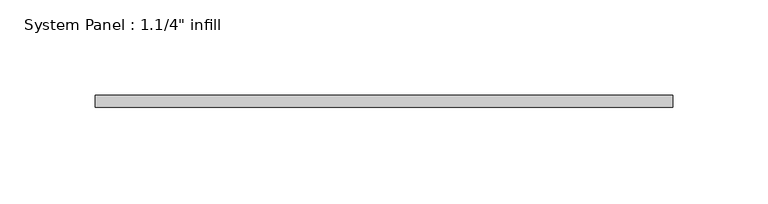
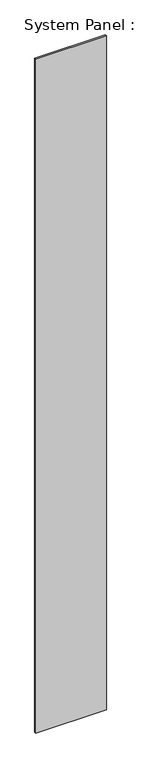
"""IFC4 building model written with IfcOpenShell, lengths in millimetres: plate geometry."""

from ifc_helpers import new_model, si_unit, origin, origin_with_axes, place, context, project, spatial, polyline, outline, extrude, source, transform, mapped, element, save


def plate_5cb96004(model_context):
    return source(origin(), model_context, "Body", "SweptSolid", [
        extrude(outline(polyline([(151.3880059, -0.0992187), (-151.3880059, -0.0992187), (-151.3880059, 6.2507813), (151.3880059, 6.2507813), (151.3880059, -0.0992187)])), origin_with_axes(), (0.0, 0.0, 1.0), 3048.0),
    ])


if __name__ == "__main__":
    model = new_model("IFC4")
    model_context = context("Model", 3, world=origin())
    ifc_project = project(units=[si_unit("LENGTHUNIT", "METRE", prefix="MILLI")], contexts=[model_context])
    site = spatial("IfcSite", under=ifc_project)
    building = spatial("IfcBuilding", under=site)
    placement = place(None, origin())
    plate_shape = plate_5cb96004(model_context)
    element("IfcPlate", 1, ObjectType="System Panel : 1.1/4\" infill", at=placement, inside=building, context=model_context, shape_type="MappedRepresentation", body=[
        mapped(plate_shape, transform((0.0, 0.0, 0.0), x_axis=(1.0, 0.0, 0.0), y_axis=(0.0, 1.0, 0.0), z_axis=(0.0, 0.0, 1.0))),
    ])
    save(model, "model.ifc")
